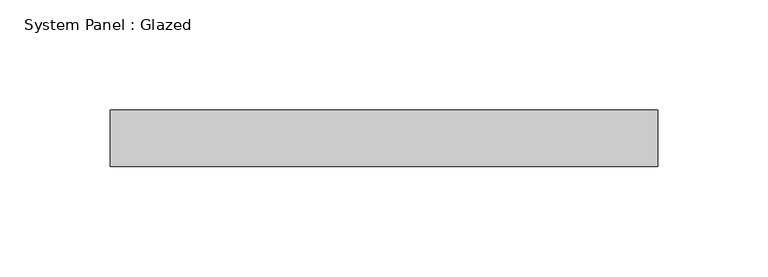
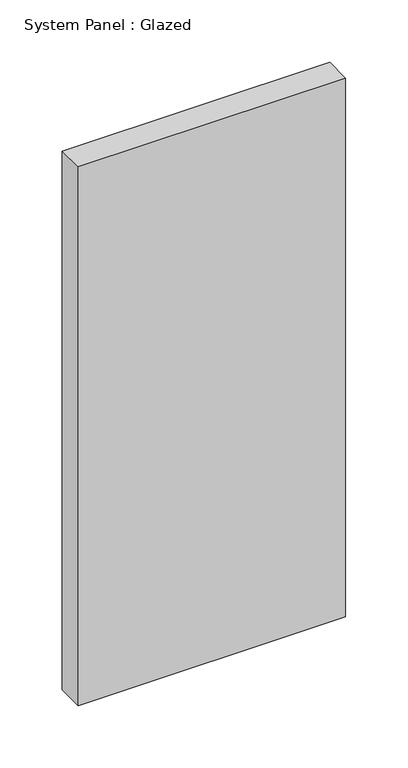
"""IFC4 building model written with IfcOpenShell, lengths in millimetres: plate geometry, System Panel : Glazed."""

from ifc_helpers import new_model, si_unit, origin, origin_with_axes, place, context, project, spatial, polyline, outline, extrude, source, transform, mapped, element, save


def system_panel_glazed_9b220a13(model_context):
    return source(origin(), model_context, "Body", "SweptSolid", [
        extrude(outline(polyline([(123.825, -44.45), (-123.825, -44.45), (-123.825, -19.05), (123.825, -19.05), (123.825, -44.45)])), origin_with_axes(), (0.0, 0.0, 1.0), 527.05),
    ])


if __name__ == "__main__":
    model = new_model("IFC4")
    model_context = context("Model", 3, world=origin())
    ifc_project = project(units=[si_unit("LENGTHUNIT", "METRE", prefix="MILLI")], contexts=[model_context])
    site = spatial("IfcSite", under=ifc_project)
    building = spatial("IfcBuilding", under=site)
    placement = place(None, origin())
    system_panel_glazed_shape = system_panel_glazed_9b220a13(model_context)
    element("IfcPlate", 1, ObjectType="System Panel : Glazed", at=placement, inside=building, context=model_context, shape_type="MappedRepresentation", body=[
        mapped(system_panel_glazed_shape, transform((0.0, 0.0, 0.0), x_axis=(1.0, 0.0, 0.0), y_axis=(0.0, 1.0, 0.0), z_axis=(0.0, 0.0, 1.0))),
    ])
    save(model, "model.ifc")
